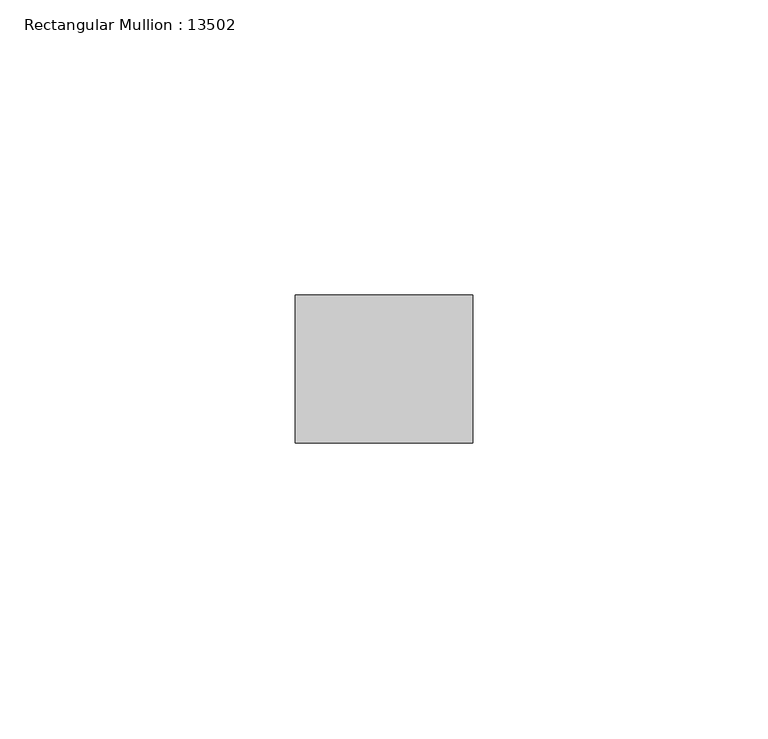
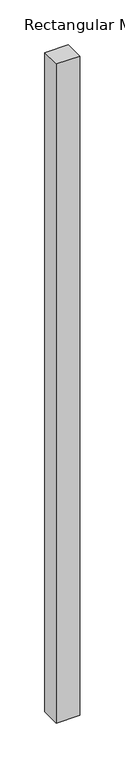
"""IFC4 building model written with IfcOpenShell, lengths in millimetres: member geometry, Rectangular Mullion : 13502."""

from ifc_helpers import new_model, si_unit, frame, origin, place, context, project, spatial, polyline, outline, extrude, source, transform, mapped, element, save


def rectangular_mullion_13502_3f5aa576(model_context):
    return source(origin(), model_context, "Body", "SweptSolid", [
        extrude(outline(polyline([(-29.9999993, 12.5), (0.0, 12.5), (0.0, -12.5), (-29.9999993, -12.5), (-29.9999993, 12.5)])), frame((0.0, 0.0, -894.0), z_axis=(0.0, 0.0, 1.0), x_axis=(1.0, 0.0, 0.0)), (0.0, 0.0, 1.0), 894.0),
    ])


if __name__ == "__main__":
    model = new_model("IFC4")
    model_context = context("Model", 3, world=origin())
    ifc_project = project(units=[si_unit("LENGTHUNIT", "METRE", prefix="MILLI")], contexts=[model_context])
    site = spatial("IfcSite", under=ifc_project)
    building = spatial("IfcBuilding", under=site)
    placement = place(None, origin())
    rectangular_mullion_13502_shape = rectangular_mullion_13502_3f5aa576(model_context)
    element("IfcMember", 1, ObjectType="Rectangular Mullion : 13502", at=placement, inside=building, context=model_context, shape_type="MappedRepresentation", body=[
        mapped(rectangular_mullion_13502_shape, transform((0.0, 0.0, 0.0), x_axis=(1.0, 0.0, 0.0), y_axis=(0.0, 1.0, 0.0), z_axis=(0.0, 0.0, 1.0))),
    ])
    save(model, "model.ifc")
